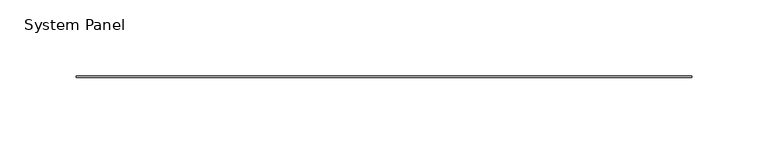
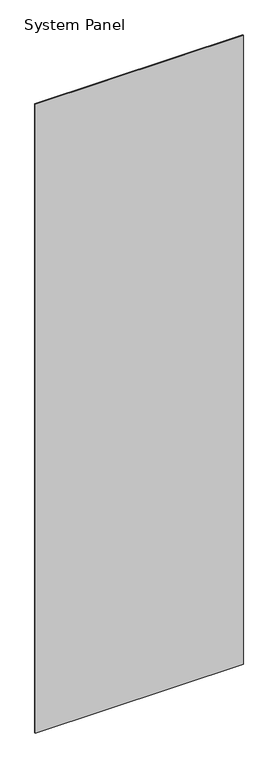
"""IFC4 building model written with IfcOpenShell, lengths in millimetres: plate geometry, System Panel."""

import ifcopenshell
import ifcopenshell.guid

model = None  # the IFC model being written
_history = None  # IfcOwnerHistory: only IFC2X3 demands one
_inside = {}  # id of a spatial element -> (the spatial element, [elements in it])
_under = {}  # id of a project, library or spatial element -> (it, [spatial elements below it])
_declared = {}  # id of a project -> (the project, [libraries it declares])
_typed = {}  # id of a type object -> (the type object, [elements of that type])
_made_of = {}  # id of a material, layer set ... -> (it, [elements and type objects made of it])


def new_model(schema):
    """Start an empty IFC model of exactly this schema.

    Asked for "IFC4X3", IfcOpenShell would pick the latest addendum, in which some entities
    have other attributes; the version numbers below select the first issue.
    IFC2X3 requires an IfcOwnerHistory on every rooted entity: one is made here for all.
    """
    global model, _history
    if schema == "IFC4X3":
        model = ifcopenshell.file(schema_version=(4, 3, 0, 0))
    else:
        model = ifcopenshell.file(schema=schema)
    _inside.clear()
    _under.clear()
    _declared.clear()
    _typed.clear()
    _made_of.clear()
    _history = None
    if model.schema == "IFC2X3":
        org = make("IfcOrganization", Name="unknown")
        user = make(
            "IfcPersonAndOrganization",
            ThePerson=make("IfcPerson", FamilyName="unknown"),
            TheOrganization=org,
        )
        app = make(
            "IfcApplication",
            ApplicationDeveloper=org,
            Version="unknown",
            ApplicationFullName="unknown",
            ApplicationIdentifier="unknown",
        )
        _history = make(
            "IfcOwnerHistory",
            OwningUser=user,
            OwningApplication=app,
            ChangeAction="ADDED",
            CreationDate=0,
        )
    return model


def make(cls, **values):
    """One entity of the class cls with the attributes given. An attribute that is None is left unset."""
    return model.create_entity(
        cls, **{name: value for name, value in values.items() if value is not None}
    )


def rooted(cls, **values):
    """An entity with a GlobalId (a new one), such as an element, a storey or a relation."""
    return make(cls, GlobalId=ifcopenshell.guid.new(), OwnerHistory=_history, **values)


def si_unit(unit_type, name, prefix=None):
    """IfcSIUnit, for example si_unit("LENGTHUNIT", "METRE", prefix="MILLI")."""
    return make("IfcSIUnit", UnitType=unit_type, Prefix=prefix, Name=name)


def assignment(units):
    """IfcUnitAssignment: the units of a project."""
    return None if units is None else make("IfcUnitAssignment", Units=units)


def point(xyz):
    """IfcCartesianPoint."""
    return None if xyz is None else make("IfcCartesianPoint", Coordinates=xyz)


def direction(xyz):
    """IfcDirection."""
    return None if xyz is None else make("IfcDirection", DirectionRatios=xyz)


def frame(location, z_axis=None, x_axis=None):
    """IfcAxis2Placement3D, a coordinate frame: its origin and axes. An axis left out is left unset."""
    return make(
        "IfcAxis2Placement3D",
        Location=point(location),
        Axis=direction(z_axis),
        RefDirection=direction(x_axis),
    )


def origin():
    """The frame at (0, 0, 0) with its axes left unset."""
    return frame((0.0, 0.0, 0.0))


def origin_with_axes():
    """The frame at (0, 0, 0) with the z axis (0, 0, 1) and the x axis (1, 0, 0) written out."""
    return frame((0.0, 0.0, 0.0), z_axis=(0.0, 0.0, 1.0), x_axis=(1.0, 0.0, 0.0))


def place(relative_to, where):
    """IfcLocalPlacement: puts the frame where relative to a parent placement (None: the world)."""
    return make(
        "IfcLocalPlacement", PlacementRelTo=relative_to, RelativePlacement=where
    )


def context(
    kind, dimensions, precision=None, world=None, true_north=None, identifier=None
):
    """IfcGeometricRepresentationContext, for example the 3D "Model" context."""
    return make(
        "IfcGeometricRepresentationContext",
        ContextIdentifier=identifier,
        ContextType=kind,
        CoordinateSpaceDimension=dimensions,
        Precision=precision,
        WorldCoordinateSystem=world,
        TrueNorth=true_north,
    )


def project(units=None, contexts=None):
    """IfcProject with its units and contexts."""
    return rooted(
        "IfcProject",
        Name="project",
        RepresentationContexts=contexts,
        UnitsInContext=assignment(units),
    )


def spatial(cls, under=None, at=None, **own):
    """A site, building, storey or space (cls), placed at a placement, below another one or the project."""
    s = rooted(cls, ObjectPlacement=at, **own)
    if under is not None:
        _under.setdefault(under.id(), (under, []))[1].append(s)
    return s


def polyline(points):
    """IfcPolyline through the points."""
    return make("IfcPolyline", Points=[point(p) for p in points])


def outline(outer, holes=None, kind="AREA"):
    """IfcArbitraryClosedProfileDef: a profile drawn as a closed curve; with holes, ...WithVoids."""
    if holes is None:
        return make("IfcArbitraryClosedProfileDef", ProfileType=kind, OuterCurve=outer)
    return make(
        "IfcArbitraryProfileDefWithVoids",
        ProfileType=kind,
        OuterCurve=outer,
        InnerCurves=holes,
    )


def extrude(swept, where, along, depth):
    """IfcExtrudedAreaSolid: the profile swept, set in the frame where, extruded along a direction by depth."""
    return make(
        "IfcExtrudedAreaSolid",
        SweptArea=swept,
        Position=where,
        ExtrudedDirection=direction(along),
        Depth=depth,
    )


def shape(context_of_items, identifier, shape_type, items):
    """IfcShapeRepresentation: the items that make up one representation, for example the "Body"."""
    return make(
        "IfcShapeRepresentation",
        ContextOfItems=context_of_items,
        RepresentationIdentifier=identifier,
        RepresentationType=shape_type,
        Items=items,
    )


def source(mapping_origin, context_of_items, identifier, shape_type, items):
    """IfcRepresentationMap: a shape defined once, which mapped items show again and again."""
    return make(
        "IfcRepresentationMap",
        MappingOrigin=mapping_origin,
        MappedRepresentation=shape(context_of_items, identifier, shape_type, items),
    )


def transform(
    local_origin,
    x_axis=None,
    y_axis=None,
    z_axis=None,
    scale=None,
    scale2=None,
    scale3=None,
    uniform=True,
):
    """IfcCartesianTransformationOperator3D, or its non-uniform kind. x_axis, y_axis, z_axis: its Axis1, 2, 3."""
    if uniform:
        return make(
            "IfcCartesianTransformationOperator3D",
            Axis1=direction(x_axis),
            Axis2=direction(y_axis),
            LocalOrigin=point(local_origin),
            Scale=scale,
            Axis3=direction(z_axis),
        )
    return make(
        "IfcCartesianTransformationOperator3DnonUniform",
        Axis1=direction(x_axis),
        Axis2=direction(y_axis),
        LocalOrigin=point(local_origin),
        Scale=scale,
        Axis3=direction(z_axis),
        Scale2=scale2,
        Scale3=scale3,
    )


def mapped(mapping_source, mapping_target):
    """IfcMappedItem: shows the shape of a source again, moved by a transform."""
    return make(
        "IfcMappedItem", MappingSource=mapping_source, MappingTarget=mapping_target
    )


def made_of(thing, what):
    """Note that an element or type object is made of a material, layer set ...; save() writes the relation."""
    if what is not None:
        _made_of.setdefault(what.id(), (what, []))[1].append(thing)
    return thing


def element(
    cls,
    number,
    at=None,
    inside=None,
    cuts=None,
    type_object=None,
    material=None,
    context=None,
    identifier="Body",
    shape_type=None,
    held_by="IfcProductDefinitionShape",
    body=None,
    shapes=None,
    **own,
):
    """One element of the class cls, such as IfcWall. Its Tag is "e" and its number.

    at: its placement. inside: the storey or other place that contains it. cuts: it is an
    opening in that element (IfcRelVoidsElement). A single representation is given by context,
    identifier, shape_type and body (its items); several are given by shapes. held_by: the class
    of the entity that holds the representations. save() writes the other relations.
    """
    e = rooted(cls, Tag="e%d" % number, ObjectPlacement=at, **own)
    if body is not None:
        shapes = [shape(context, identifier, shape_type, body)]
    if shapes is not None:
        e.Representation = make(held_by, Representations=shapes)
    if inside is not None:
        _inside.setdefault(inside.id(), (inside, []))[1].append(e)
    if cuts is not None:
        rooted(
            "IfcRelVoidsElement", RelatingBuildingElement=cuts, RelatedOpeningElement=e
        )
    if type_object is not None:
        _typed.setdefault(type_object.id(), (type_object, []))[1].append(e)
    return made_of(e, material)


def aggregate(whole, parts):
    """IfcRelAggregates: a whole, such as a stair, and the parts it consists of."""
    return rooted("IfcRelAggregates", RelatingObject=whole, RelatedObjects=parts)


def save(model, path):
    """Write the relations noted so far, then the file.

    IfcRelAggregates (storeys below a building ...), IfcRelContainedInSpatialStructure (elements
    in a storey), IfcRelDefinesByType, IfcRelAssociatesMaterial and IfcRelDeclares: one each for
    every whole, place, type object, material and project.
    """
    for whole, parts in _under.values():
        aggregate(whole, parts)
    for where, things in _inside.values():
        rooted(
            "IfcRelContainedInSpatialStructure",
            RelatedElements=things,
            RelatingStructure=where,
        )
    for kind, things in _typed.values():
        rooted("IfcRelDefinesByType", RelatedObjects=things, RelatingType=kind)
    for what, things in _made_of.values():
        rooted("IfcRelAssociatesMaterial", RelatedObjects=things, RelatingMaterial=what)
    for by, libraries in _declared.values():
        rooted("IfcRelDeclares", RelatingContext=by, RelatedDefinitions=libraries)
    model.write(path)


def system_panel_5d2c6f42(model_context):
    return source(origin(), model_context, "Body", "SweptSolid", [
        extrude(outline(polyline([(201.4855, -0.396875), (-201.4855, -0.396875), (-201.4855, 0.396875), (201.4855, 0.396875), (201.4855, -0.396875)])), origin_with_axes(), (0.0, 0.0, 1.0), 1285.875),
    ])


if __name__ == "__main__":
    model = new_model("IFC4")
    model_context = context("Model", 3, world=origin())
    ifc_project = project(units=[si_unit("LENGTHUNIT", "METRE", prefix="MILLI")], contexts=[model_context])
    site = spatial("IfcSite", under=ifc_project)
    building = spatial("IfcBuilding", under=site)
    placement = place(None, origin())
    system_panel_shape = system_panel_5d2c6f42(model_context)
    element("IfcPlate", 1, ObjectType="System Panel", at=placement, inside=building, context=model_context, shape_type="MappedRepresentation", body=[
        mapped(system_panel_shape, transform((0.0, 0.0, 0.0), x_axis=(1.0, 0.0, 0.0), y_axis=(0.0, 1.0, 0.0), z_axis=(0.0, 0.0, 1.0))),
    ])
    save(model, "model.ifc")
